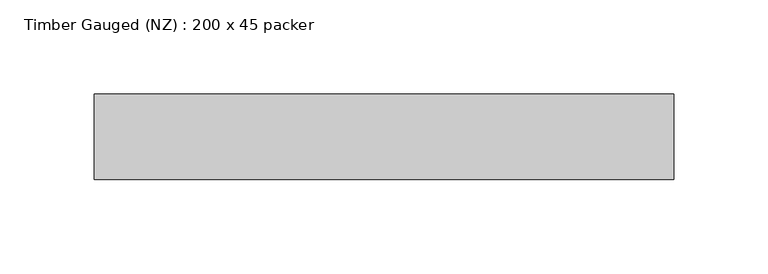
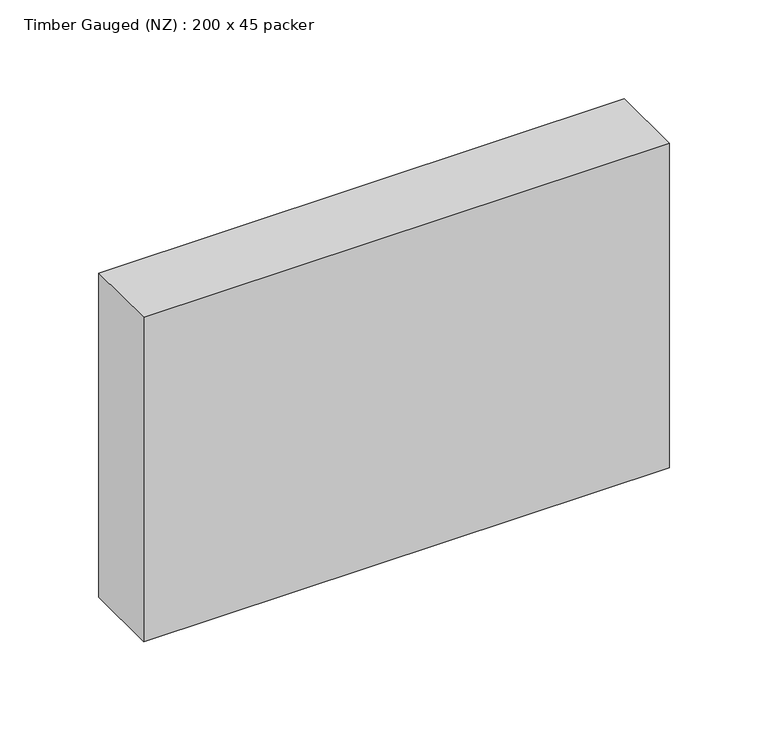
"""IFC4 building model written with IfcOpenShell, lengths in millimetres: beam geometry, Timber Gauged (NZ) : 200 x 45 packer."""

from ifc_helpers import new_model, si_unit, frame, origin, place, context, project, spatial, polyline, outline, extrude, source, transform, mapped, element, save


def timber_gauged_nz_200_x_45_packer_50b4e7fe(model_context):
    return source(origin(), model_context, "Body", "SweptSolid", [
        extrude(outline(polyline([(144.1390421, 22.5), (144.1390421, -22.5), (-162.3089616, -22.5), (-162.3089616, 22.5), (144.1390421, 22.5)])), frame((0.0, 0.0, -100.0), z_axis=(0.0, 0.0, 1.0), x_axis=(1.0, 0.0, 0.0)), (0.0, 0.0, 1.0), 200.0),
    ])


if __name__ == "__main__":
    model = new_model("IFC4")
    model_context = context("Model", 3, world=origin())
    ifc_project = project(units=[si_unit("LENGTHUNIT", "METRE", prefix="MILLI")], contexts=[model_context])
    site = spatial("IfcSite", under=ifc_project)
    building = spatial("IfcBuilding", under=site)
    placement = place(None, origin())
    timber_gauged_nz_200_x_45_packer_shape = timber_gauged_nz_200_x_45_packer_50b4e7fe(model_context)
    element("IfcBeam", 1, ObjectType="Timber Gauged (NZ) : 200 x 45 packer", at=placement, inside=building, context=model_context, shape_type="MappedRepresentation", body=[
        mapped(timber_gauged_nz_200_x_45_packer_shape, transform((0.0, 0.0, 0.0), x_axis=(1.0, 0.0, 0.0), y_axis=(0.0, 1.0, 0.0), z_axis=(0.0, 0.0, 1.0))),
    ])
    save(model, "model.ifc")
